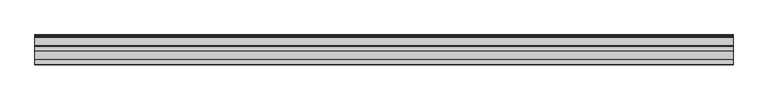
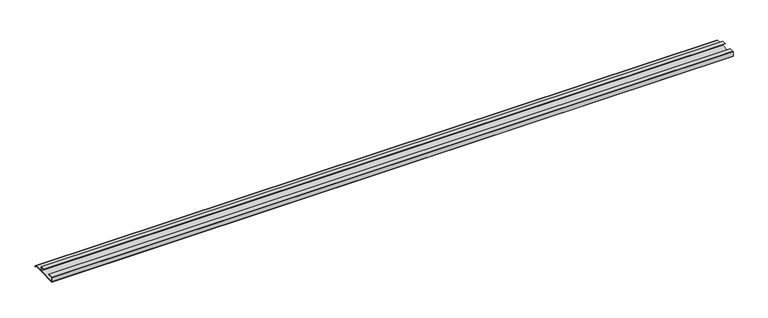
"""IFC4 building model written with IfcOpenShell, lengths in millimetres: furniture geometry."""

from ifc_helpers import new_model, si_unit, frame, origin, place, context, project, spatial, polyline, outline, extrude, source, transform, mapped, element, save


def furniture_fa3c1b7a(model_context):
    return source(origin(), model_context, "Body", "SweptSolid", [
        extrude(outline(polyline([(-16.1532518, 512.3076998), (-16.9376349, 511.8893742), (-18.5259585, 513.5599489), (-20.7474799, 514.175282), (-21.763438, 516.2072074), (-45.0034802, 516.2072074), (-92.6265287, 514.175282), (-93.3884975, 514.9372508), (-93.3884975, 527.3675), (-92.5947475, 528.16125), (-80.6890189, 528.16125), (-80.6890189, 527.3675), (-92.6265287, 527.3675), (-92.6265287, 514.9372631), (-45.0034802, 517.0009574), (-45.0034802, 527.3675), (-56.9409919, 527.3675), (-56.9409919, 528.16125), (-45.0352673, 528.16125), (-44.2415173, 527.3675), (-44.2415173, 517.0009574), (-21.763438, 517.0009574), (-20.7474799, 515.1912447), (-18.0685872, 514.3222207), (-16.1532518, 512.3076998)])), frame((-886.5464592, 0.0, 0.0), z_axis=(1.0, 0.0, 0.0), x_axis=(0.0, 1.0, 0.0)), (0.0, 0.0, 1.0), 1812.036),
    ])


if __name__ == "__main__":
    model = new_model("IFC4")
    model_context = context("Model", 3, world=origin())
    ifc_project = project(units=[si_unit("LENGTHUNIT", "METRE", prefix="MILLI")], contexts=[model_context])
    site = spatial("IfcSite", under=ifc_project)
    building = spatial("IfcBuilding", under=site)
    placement = place(None, origin())
    furniture_shape = furniture_fa3c1b7a(model_context)
    element("IfcFurniture", 1, at=placement, inside=building, context=model_context, shape_type="MappedRepresentation", body=[
        mapped(furniture_shape, transform((0.0, 0.0, 0.0), x_axis=(1.0, 0.0, 0.0), y_axis=(0.0, 1.0, 0.0), z_axis=(0.0, 0.0, 1.0))),
    ])
    save(model, "model.ifc")
